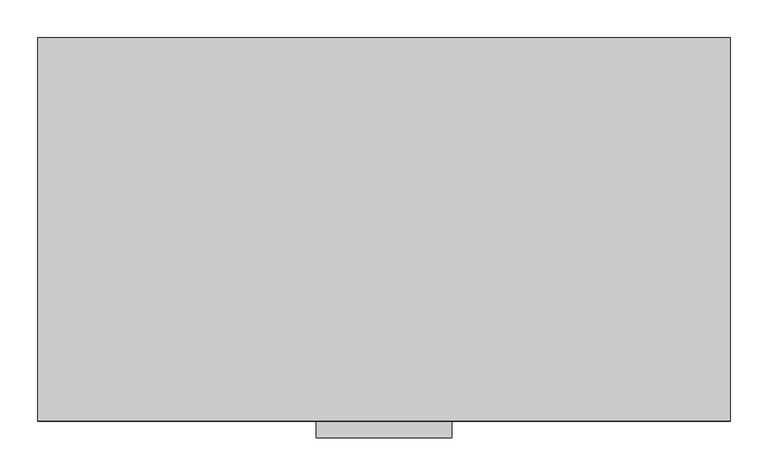
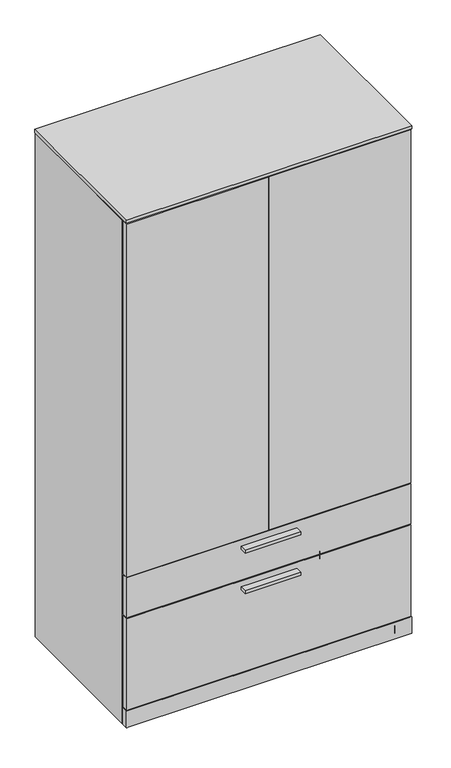
"""IFC4 building model written with IfcOpenShell, lengths in millimetres: furniture geometry."""

from ifc_helpers import new_model, si_unit, origin, place, context, project, spatial, triangles, source, transform, mapped, element, save


def furniture_fa44e87d(model_context):
    return source(origin(), model_context, "Body", "Tessellation", [
        triangles([(0.0, -504.825, 1717.4717663), (0.0, -504.825, 1706.4227314), (911.2249758, -504.825, 1706.4227314), (911.2249758, -504.825, 1717.4717663), (911.2249758, 0.0, 1717.4717663), (911.2249758, 0.0, 1706.4227314), (0.0, 0.0, 1706.4227314), (0.0, 0.0, 1717.4717663)], [[1, 2, 3], [1, 3, 4], [5, 4, 3], [5, 3, 6], [5, 6, 7], [5, 7, 8], [1, 8, 7], [1, 7, 2], [1, 4, 5], [1, 5, 8], [7, 6, 3], [7, 3, 2]]),
        triangles([(544.5125121, -527.0500242, 342.0491072), (544.5125121, -527.0500242, 351.5741072), (366.7124637, -527.0500242, 351.5741072), (366.7124637, -527.0500242, 342.0491072), (366.7124637, -504.825, 351.5741072), (544.5125121, -504.825, 351.5741072), (366.7124637, -504.825, 342.0491072), (544.5125121, -504.825, 342.0491072), (544.5125121, -527.0500242, 478.9551038), (544.5125121, -527.0500242, 488.4801038), (366.7124637, -527.0500242, 488.4801038), (366.7124637, -527.0500242, 478.9551038), (366.7124637, -504.825, 488.4801038), (544.5125121, -504.825, 488.4801038), (366.7124637, -504.825, 478.9551038), (544.5125121, -504.825, 478.9551038)], [[1, 2, 3], [1, 3, 4], [5, 6, 7], [6, 8, 7], [4, 7, 1], [7, 8, 1], [1, 8, 6], [1, 6, 2], [3, 2, 5], [2, 6, 5], [4, 3, 5], [4, 5, 7], [9, 10, 11], [9, 11, 12], [13, 14, 15], [14, 16, 15], [12, 15, 9], [15, 16, 9], [9, 16, 14], [9, 14, 10], [11, 10, 13], [10, 14, 13], [12, 11, 13], [12, 13, 15]]),
        triangles([(857.0087357, -444.9650273, 0.0), (848.2583977, -460.1210063, 0.0), (848.2583977, -460.1210063, 12.7000004), (857.0087357, -444.9650273, 12.7000004), (874.5092663, -444.9650273, 0.0), (874.5092663, -444.9650273, 12.7000004), (883.2596043, -460.1210063, 0.0), (883.2596043, -460.1210063, 12.7000004), (874.5092663, -475.2769489, 0.0), (874.5092663, -475.2769489, 12.7000004), (857.0087357, -475.2769489, 0.0), (857.0087357, -475.2769489, 12.7000004), (54.2162992, -444.9650273, 12.7000004), (62.9666008, -460.1210063, 12.7000004), (62.9666008, -460.1210063, 0.0), (54.2162992, -444.9650273, 0.0), (36.7157004, -444.9650273, 12.7000004), (36.7157004, -444.9650273, 0.0), (27.965401, -460.1210063, 12.7000004), (27.965401, -460.1210063, 0.0), (36.7157004, -475.2769489, 12.7000004), (36.7157004, -475.2769489, 0.0), (54.2162992, -475.2769489, 12.7000004), (54.2162992, -475.2769489, 0.0), (857.0087357, -31.072036, 0.0), (848.2583977, -46.2280013, 0.0), (848.2583977, -46.2280013, 12.7000004), (857.0087357, -31.072036, 12.7000004), (874.5092663, -31.072036, 0.0), (874.5092663, -31.072036, 12.7000004), (883.2596043, -46.2280013, 0.0), (883.2596043, -46.2280013, 12.7000004), (874.5092663, -61.3839621, 0.0), (874.5092663, -61.3839621, 12.7000004), (857.0087357, -61.3839621, 0.0), (857.0087357, -61.3839621, 12.7000004), (54.2162992, -31.072036, 12.7000004), (62.9666008, -46.2280013, 12.7000004), (62.9666008, -46.2280013, 0.0), (54.2162992, -31.072036, 0.0), (36.7157004, -31.072036, 12.7000004), (36.7157004, -31.072036, 0.0), (27.965401, -46.2280013, 12.7000004), (27.965401, -46.2280013, 0.0), (36.7157004, -61.3839621, 12.7000004), (36.7157004, -61.3839621, 0.0), (54.2162992, -61.3839621, 12.7000004), (54.2162992, -61.3839621, 0.0)], [[1, 2, 3], [1, 3, 4], [5, 1, 4], [5, 4, 6], [7, 5, 6], [7, 6, 8], [9, 7, 8], [9, 8, 10], [11, 9, 10], [11, 10, 12], [2, 11, 12], [2, 12, 3], [7, 9, 2], [9, 11, 2], [1, 5, 7], [1, 7, 2], [8, 3, 10], [3, 12, 10], [4, 3, 8], [4, 8, 6], [13, 14, 15], [13, 15, 16], [17, 13, 16], [17, 16, 18], [19, 17, 18], [19, 18, 20], [21, 19, 20], [21, 20, 22], [23, 21, 22], [23, 22, 24], [14, 23, 24], [14, 24, 15], [15, 24, 22], [15, 22, 20], [15, 20, 18], [15, 18, 16], [21, 23, 19], [23, 14, 19], [17, 19, 14], [17, 14, 13], [25, 26, 27], [25, 27, 28], [29, 25, 28], [29, 28, 30], [31, 29, 30], [31, 30, 32], [33, 31, 32], [33, 32, 34], [35, 33, 34], [35, 34, 36], [26, 35, 36], [26, 36, 27], [31, 33, 26], [33, 35, 26], [25, 29, 31], [25, 31, 26], [32, 27, 34], [27, 36, 34], [28, 27, 32], [28, 32, 30], [37, 38, 39], [37, 39, 40], [41, 37, 40], [41, 40, 42], [43, 41, 42], [43, 42, 44], [45, 43, 44], [45, 44, 46], [47, 45, 46], [47, 46, 48], [38, 47, 48], [38, 48, 39], [39, 48, 44], [48, 46, 44], [39, 44, 42], [39, 42, 40], [45, 47, 43], [47, 38, 43], [41, 43, 38], [41, 38, 37]]),
        triangles([(2.3495, -504.825, 63.4492022), (908.8754826, -504.825, 63.4492022), (908.8754826, -504.825, 372.2115829), (2.3495, -504.825, 372.2115829), (908.8754826, -485.5209821, 63.4492022), (908.8754826, -485.5209821, 372.2115829), (2.3495, -485.5209821, 63.4492022), (2.3495, -485.5209821, 372.2115829), (2.3495, -504.825, 375.3866072), (908.8754826, -504.825, 375.3866072), (908.8754826, -504.825, 509.1176159), (2.3495, -504.825, 509.1176159), (908.8754826, -485.5209821, 375.3866072), (908.8754826, -485.5209821, 509.1176159), (2.3495, -485.5209821, 375.3866072), (2.3495, -485.5209821, 509.1176159), (457.2, -504.825, 512.2926038), (908.8754826, -504.825, 512.2926038), (908.8754826, -504.825, 1703.6288612), (457.2, -504.825, 1703.6288612), (908.8754826, -485.5209821, 512.2926038), (908.8754826, -485.5209821, 1703.6288612), (457.2, -485.5209821, 512.2926038), (457.2, -485.5209821, 1703.6288612), (2.3495, -504.825, 512.2926038), (454.0250121, -504.825, 512.2926038), (454.0250121, -504.825, 1703.6288612), (2.3495, -504.825, 1703.6288612), (454.0250121, -485.5209821, 512.2926038), (454.0250121, -485.5209821, 1703.6288612), (2.3495, -485.5209821, 512.2926038), (2.3495, -485.5209821, 1703.6288612)], [[1, 2, 3], [1, 3, 4], [3, 2, 5], [3, 5, 6], [5, 7, 8], [5, 8, 6], [8, 7, 1], [8, 1, 4], [7, 5, 2], [7, 2, 1], [8, 4, 3], [8, 3, 6], [9, 10, 11], [9, 11, 12], [11, 10, 13], [11, 13, 14], [13, 15, 16], [13, 16, 14], [16, 15, 9], [16, 9, 12], [15, 13, 10], [15, 10, 9], [16, 12, 11], [16, 11, 14], [17, 18, 19], [17, 19, 20], [19, 18, 21], [19, 21, 22], [21, 23, 24], [21, 24, 22], [24, 23, 17], [24, 17, 20], [23, 21, 18], [23, 18, 17], [24, 20, 19], [24, 19, 22], [25, 26, 27], [25, 27, 28], [27, 26, 29], [27, 29, 30], [29, 31, 32], [29, 32, 30], [32, 31, 25], [32, 25, 28], [31, 29, 26], [31, 26, 25], [32, 28, 27], [32, 27, 30]]),
        triangles([(910.463031, -482.3459942, 4.6990001), (910.463031, 0.0, 4.6990001), (910.463031, 0.0, 1703.6288612), (910.463031, -482.3459942, 1703.6288612), (891.1589767, 0.0, 4.6990001), (891.1589767, 0.0, 1703.6288612), (891.1589767, -482.3459942, 4.6990001), (891.1589767, -482.3459942, 1703.6288612), (20.065999, -482.3459942, 4.6990001), (20.065999, 0.0, 4.6990001), (20.065999, 0.0, 1703.6288612), (20.065999, -482.3459942, 1703.6288612), (0.762, 0.0, 4.6990001), (0.762, 0.0, 1703.6288612), (0.762, -482.3459942, 4.6990001), (0.762, -482.3459942, 1703.6288612), (891.1589767, -485.5209821, 59.5122014), (891.1589767, -20.8280006, 59.5122014), (20.065999, -20.8280006, 59.5122014), (20.065999, -485.5209821, 59.5122014), (891.1589767, -20.8280006, 40.2082016), (20.065999, -20.8280006, 40.2082016), (891.1589767, -485.5209821, 40.2082016), (20.065999, -485.5209821, 40.2082016), (20.065999, -20.8280006, 4.6990001), (891.1589767, -20.8280006, 4.6990001), (891.1589767, -20.8280006, 1683.5627895), (20.065999, -20.8280006, 1683.5627895), (891.1589767, -1.524, 4.6990001), (891.1589767, -1.524, 1683.5627895), (20.065999, -1.524, 4.6990001), (20.065999, -1.524, 1683.5627895), (891.1589767, -481.5840131, 1702.8668438), (891.1589767, -0.762, 1702.8668438), (20.065999, -0.762, 1702.8668438), (20.065999, -481.5840131, 1702.8668438), (891.1589767, -0.762, 1683.5627895), (20.065999, -0.762, 1683.5627895), (891.1589767, -481.5840131, 1683.5627895), (20.065999, -481.5840131, 1683.5627895), (0.0, -504.825, 4.6990001), (911.2249758, -504.825, 4.6990001), (911.2249758, -504.825, 60.2742007), (0.0, -504.825, 60.2742007), (911.2249758, -485.5209821, 4.6990001), (911.2249758, -485.5209821, 60.2742007), (0.0, -485.5209821, 4.6990001), (0.0, -485.5209821, 60.2742007), (891.1589767, -481.5840131, 509.1176159), (891.1589767, -20.8280006, 509.1176159), (20.065999, -20.8280006, 509.1176159), (20.065999, -481.5840131, 509.1176159), (891.1589767, -20.8280006, 489.813598), (20.065999, -20.8280006, 489.813598), (891.1589767, -481.5840131, 489.813598), (20.065999, -481.5840131, 489.813598), (446.0240107, -480.0600145, 1683.5502903), (446.0240107, -20.8280006, 1683.5502903), (446.0240107, -20.8280006, 509.1176159), (446.0240107, -480.0600145, 509.1176159), (465.3279922, -20.8280006, 1683.5502903), (465.3279922, -20.8280006, 509.1176159), (465.3279922, -480.0600145, 1683.5502903), (465.3279922, -480.0600145, 509.1176159)], [[1, 2, 3], [1, 3, 4], [3, 2, 5], [3, 5, 6], [5, 7, 8], [5, 8, 6], [8, 7, 1], [8, 1, 4], [7, 5, 2], [7, 2, 1], [8, 4, 3], [8, 3, 6], [9, 10, 11], [9, 11, 12], [11, 10, 13], [11, 13, 14], [13, 15, 16], [13, 16, 14], [16, 15, 9], [16, 9, 12], [15, 13, 10], [15, 10, 9], [16, 12, 11], [16, 11, 14], [17, 18, 19], [17, 19, 20], [19, 18, 21], [19, 21, 22], [21, 23, 24], [21, 24, 22], [24, 23, 17], [24, 17, 20], [23, 21, 18], [23, 18, 17], [24, 20, 19], [24, 19, 22], [25, 26, 27], [25, 27, 28], [27, 26, 29], [27, 29, 30], [29, 31, 32], [29, 32, 30], [32, 31, 25], [32, 25, 28], [31, 29, 26], [31, 26, 25], [32, 28, 27], [32, 27, 30], [33, 34, 35], [33, 35, 36], [35, 34, 37], [35, 37, 38], [37, 39, 40], [37, 40, 38], [40, 39, 33], [40, 33, 36], [39, 37, 34], [39, 34, 33], [40, 36, 35], [40, 35, 38], [41, 42, 43], [41, 43, 44], [43, 42, 45], [43, 45, 46], [45, 47, 48], [45, 48, 46], [48, 47, 41], [48, 41, 44], [47, 45, 42], [47, 42, 41], [48, 44, 43], [48, 43, 46], [49, 50, 51], [49, 51, 52], [51, 50, 53], [51, 53, 54], [53, 55, 56], [53, 56, 54], [56, 55, 49], [56, 49, 52], [55, 53, 50], [55, 50, 49], [56, 52, 51], [56, 51, 54], [57, 58, 59], [57, 59, 60], [61, 62, 59], [61, 59, 58], [61, 63, 64], [61, 64, 62], [57, 60, 64], [57, 64, 63], [60, 59, 62], [60, 62, 64], [61, 58, 57], [61, 57, 63]]),
    ])


if __name__ == "__main__":
    model = new_model("IFC4")
    model_context = context("Model", 3, world=origin())
    ifc_project = project(units=[si_unit("LENGTHUNIT", "METRE", prefix="MILLI")], contexts=[model_context])
    site = spatial("IfcSite", under=ifc_project)
    building = spatial("IfcBuilding", under=site)
    placement = place(None, origin())
    furniture_shape = furniture_fa44e87d(model_context)
    element("IfcFurniture", 1, at=placement, inside=building, context=model_context, shape_type="MappedRepresentation", body=[
        mapped(furniture_shape, transform((0.0, 0.0, 0.0), x_axis=(1.0, 0.0, 0.0), y_axis=(0.0, 1.0, 0.0), z_axis=(0.0, 0.0, 1.0))),
    ])
    save(model, "model.ifc")
